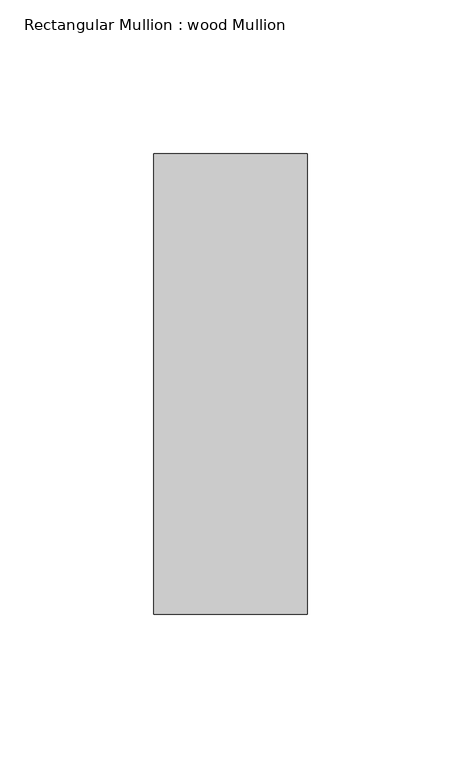
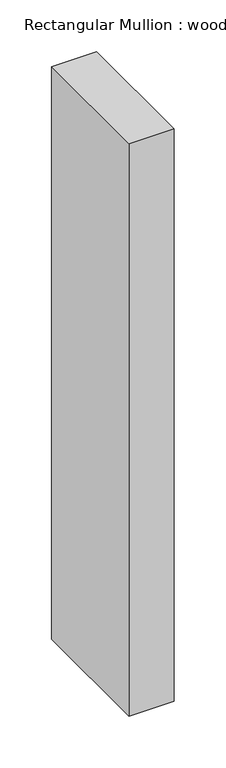
"""IFC4 building model written with IfcOpenShell, lengths in millimetres: member geometry, Rectangular Mullion : wood Mullion."""

from ifc_helpers import new_model, si_unit, frame, origin, place, context, project, spatial, polyline, outline, extrude, source, transform, mapped, element, save


def rectangular_mullion_wood_mullion_dbb82e9e(model_context):
    return source(origin(), model_context, "Body", "SweptSolid", [
        extrude(outline(polyline([(0.0, 75.0), (0.0, -75.0), (-50.0, -75.0), (-50.0, 75.0), (0.0, 75.0)])), frame((0.0, 0.0, -675.0), z_axis=(0.0, 0.0, 1.0), x_axis=(1.0, 0.0, 0.0)), (0.0, 0.0, 1.0), 675.0),
    ])


if __name__ == "__main__":
    model = new_model("IFC4")
    model_context = context("Model", 3, world=origin())
    ifc_project = project(units=[si_unit("LENGTHUNIT", "METRE", prefix="MILLI")], contexts=[model_context])
    site = spatial("IfcSite", under=ifc_project)
    building = spatial("IfcBuilding", under=site)
    placement = place(None, origin())
    rectangular_mullion_wood_mullion_shape = rectangular_mullion_wood_mullion_dbb82e9e(model_context)
    element("IfcMember", 1, ObjectType="Rectangular Mullion : wood Mullion", at=placement, inside=building, context=model_context, shape_type="MappedRepresentation", body=[
        mapped(rectangular_mullion_wood_mullion_shape, transform((0.0, 0.0, 0.0), x_axis=(1.0, 0.0, 0.0), y_axis=(0.0, 1.0, 0.0), z_axis=(0.0, 0.0, 1.0))),
    ])
    save(model, "model.ifc")
